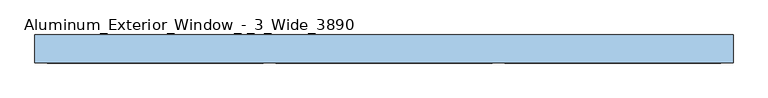
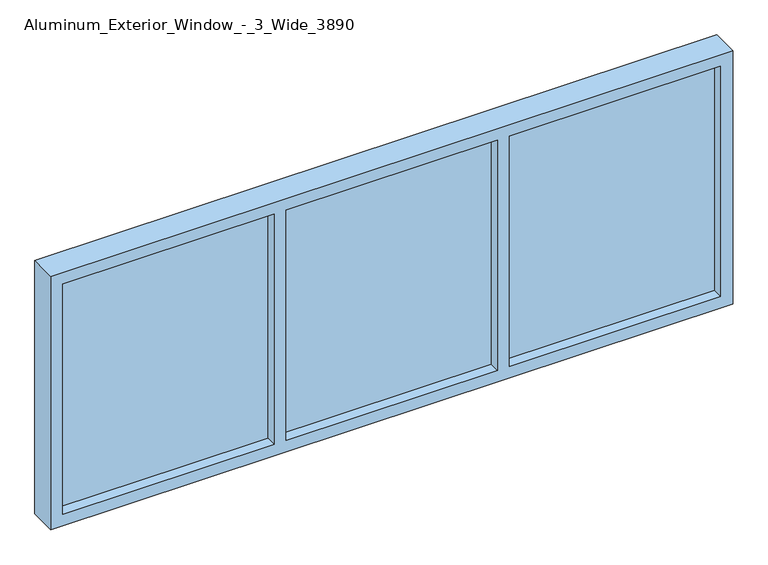
"""IFC4 building model written with IfcOpenShell, lengths in millimetres: window geometry, Aluminum_Exterior_Window_-_3_Wide_3890."""

from ifc_helpers import new_model, si_unit, frame, origin, place, context, project, spatial, polyline, outline, extrude, source, transform, mapped, element, save


def aluminum_exterior_window_3_wide_3890_8225ea65(model_context):
    return source(origin(), model_context, "Body", "SweptSolid", [
        extrude(outline(polyline([(584.2, 56.7075246), (1464.7333333, 56.7075246), (1464.7333333, 31.3075246), (584.2, 31.3075246), (584.2, 56.7075246)])), frame((0.0, 0.0, 956.6367551), z_axis=(0.0, 0.0, 1.0), x_axis=(1.0, 0.0, 0.0)), (0.0, 0.0, 1.0), 1016.0),
        extrude(outline(polyline([(-347.1333333, 56.7075246), (533.4, 56.7075246), (533.4, 31.3075246), (-347.1333333, 31.3075246), (-347.1333333, 56.7075246)])), frame((0.0, 0.0, 956.6367551), z_axis=(0.0, 0.0, 1.0), x_axis=(1.0, 0.0, 0.0)), (0.0, 0.0, 1.0), 1016.0),
        extrude(outline(polyline([(-1278.4666667, 56.7075246), (-397.9333333, 56.7075246), (-397.9333333, 31.3075246), (-1278.4666667, 31.3075246), (-1278.4666667, 56.7075246)])), frame((0.0, 0.0, 956.6367551), z_axis=(0.0, 0.0, 1.0), x_axis=(1.0, 0.0, 0.0)), (0.0, 0.0, 1.0), 1016.0),
        extrude(outline(polyline([(2023.4367551, -1329.2666667), (905.8367551, -1329.2666667), (905.8367551, 1515.5333333), (2023.4367551, 1515.5333333), (2023.4367551, -1329.2666667)]), holes=[polyline([(1972.6367551, 584.2), (1972.6367551, 1464.7333333), (956.6367551, 1464.7333333), (956.6367551, 584.2), (1972.6367551, 584.2)]), polyline([(1972.6367551, -347.1333333), (1972.6367551, 533.4), (956.6367551, 533.4), (956.6367551, -347.1333333), (1972.6367551, -347.1333333)]), polyline([(1972.6367551, -1278.4666667), (1972.6367551, -397.9333333), (956.6367551, -397.9333333), (956.6367551, -1278.4666667), (1972.6367551, -1278.4666667)])]), frame((0.0, -13.1424754, 0.0), z_axis=(0.0, 1.0, 0.0), x_axis=(0.0, 0.0, 1.0)), (0.0, 0.0, 1.0), 114.3),
    ])


if __name__ == "__main__":
    model = new_model("IFC4")
    model_context = context("Model", 3, world=origin())
    ifc_project = project(units=[si_unit("LENGTHUNIT", "METRE", prefix="MILLI")], contexts=[model_context])
    site = spatial("IfcSite", under=ifc_project)
    building = spatial("IfcBuilding", under=site)
    placement = place(None, origin())
    aluminum_exterior_window_3_wide_3890_shape = aluminum_exterior_window_3_wide_3890_8225ea65(model_context)
    element("IfcWindow", 1, ObjectType="Aluminum_Exterior_Window_-_3_Wide_3890", at=placement, inside=building, context=model_context, shape_type="MappedRepresentation", body=[
        mapped(aluminum_exterior_window_3_wide_3890_shape, transform((0.0, 0.0, 0.0), x_axis=(1.0, 0.0, 0.0), y_axis=(0.0, 1.0, 0.0), z_axis=(0.0, 0.0, 1.0))),
    ])
    save(model, "model.ifc")
